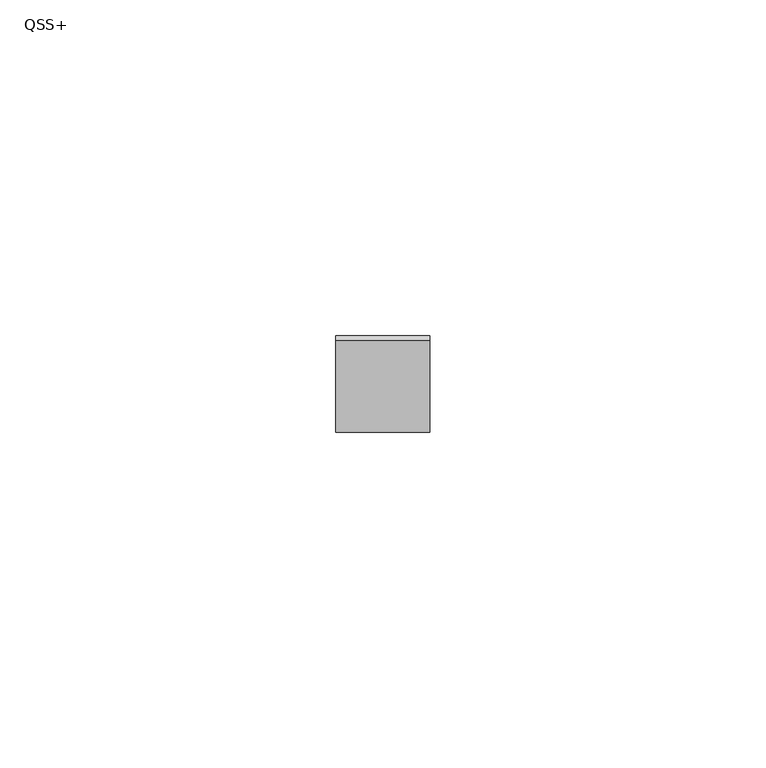
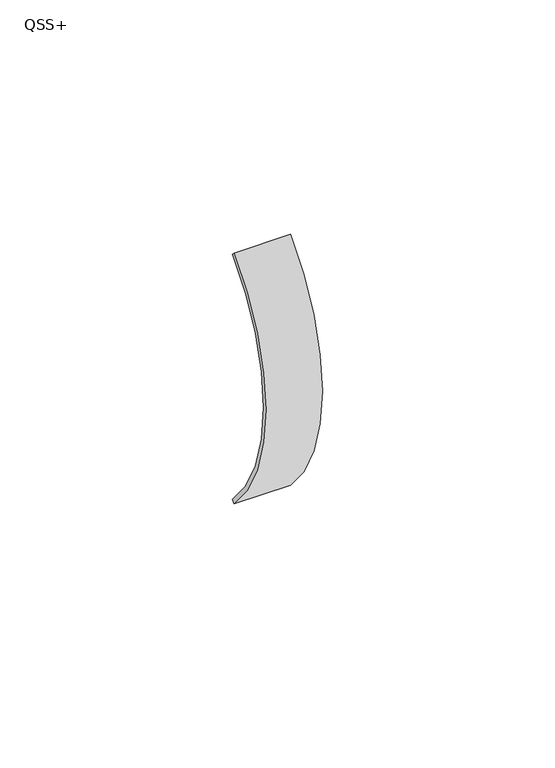
"""IFC4 building model written with IfcOpenShell, lengths in millimetres: proxy geometry, QSS+."""

from ifc_helpers import new_model, si_unit, point, frame, origin, origin_2d, place, context, project, spatial, polyline, circle_curve, trimmed, segment, composite_curve, outline, extrude, source, transform, mapped, element, save


def qss_0eaf5547(model_context):
    return source(origin(), model_context, "Body", "SweptSolid", [
        extrude(outline(composite_curve([segment(trimmed(circle_curve(origin_2d(), 46.5), [point((-32.8804653, -32.8804653))], [point((-32.8804653, 32.8804653))], False, "CARTESIAN"), True, "CONTINUOUS"), segment(polyline([(-32.8804653, 32.8804653), (-32.1733585, 32.1733585)]), True, "CONTINUOUS"), segment(trimmed(circle_curve(origin_2d(), 45.5), [point((-32.1733585, 32.1733585))], [point((-32.1733585, -32.1733585))], True, "CARTESIAN"), True, "CONTINUOUS"), segment(polyline([(-32.1733585, -32.1733585), (-32.8804653, -32.8804653)]), True, "CONTINUOUS")], self_intersect=False)), frame((-7.0, 0.0, 0.0), z_axis=(1.0, 0.0, 0.0), x_axis=(0.0, 1.0, 0.0)), (0.0, 0.0, 1.0), 14.0),
    ])


if __name__ == "__main__":
    model = new_model("IFC4")
    model_context = context("Model", 3, world=origin())
    ifc_project = project(units=[si_unit("LENGTHUNIT", "METRE", prefix="MILLI")], contexts=[model_context])
    site = spatial("IfcSite", under=ifc_project)
    building = spatial("IfcBuilding", under=site)
    placement = place(None, origin())
    qss_shape = qss_0eaf5547(model_context)
    element("IfcBuildingElementProxy", 1, Name="QSS+", ObjectType="QSS+", at=placement, inside=building, context=model_context, shape_type="MappedRepresentation", body=[
        mapped(qss_shape, transform((0.0, 0.0, 0.0), x_axis=(1.0, 0.0, 0.0), y_axis=(0.0, 1.0, 0.0), z_axis=(0.0, 0.0, 1.0))),
    ])
    save(model, "model.ifc")
